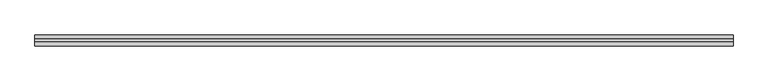
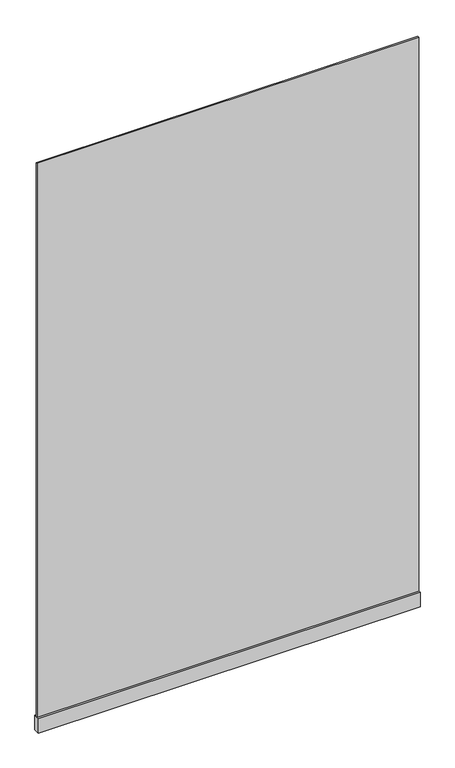
"""IFC4 building model written with IfcOpenShell, lengths in millimetres: plate geometry."""

from ifc_helpers import new_model, si_unit, frame, origin, origin_with_axes, place, context, project, spatial, polyline, outline, extrude, source, transform, mapped, element, save


def plate_db6f16bc(model_context):
    return source(origin(), model_context, "Body", "SweptSolid", [
        extrude(outline(polyline([(-1262.5, 5.0), (1262.5, 5.0), (1262.5, -5.0), (-1262.5, -5.0), (-1262.5, 5.0)])), frame((0.0, 0.0, 100.0), z_axis=(0.0, 0.0, 1.0), x_axis=(1.0, 0.0, 0.0)), (0.0, 0.0, 1.0), 3875.0),
        extrude(outline(polyline([(-1262.5, 20.0), (1262.5, 20.0), (1262.5, -20.0), (-1262.5, -20.0), (-1262.5, 20.0)])), origin_with_axes(), (0.0, 0.0, 1.0), 100.0),
    ])


if __name__ == "__main__":
    model = new_model("IFC4")
    model_context = context("Model", 3, world=origin())
    ifc_project = project(units=[si_unit("LENGTHUNIT", "METRE", prefix="MILLI")], contexts=[model_context])
    site = spatial("IfcSite", under=ifc_project)
    building = spatial("IfcBuilding", under=site)
    placement = place(None, origin())
    plate_shape = plate_db6f16bc(model_context)
    element("IfcPlate", 1, at=placement, inside=building, context=model_context, shape_type="MappedRepresentation", body=[
        mapped(plate_shape, transform((0.0, 0.0, 0.0), x_axis=(1.0, 0.0, 0.0), y_axis=(0.0, 1.0, 0.0), z_axis=(0.0, 0.0, 1.0))),
    ])
    save(model, "model.ifc")
